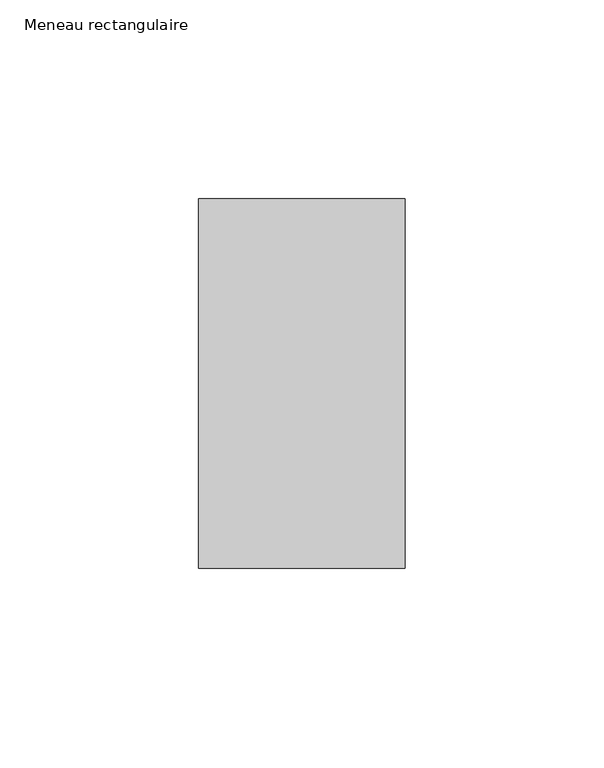
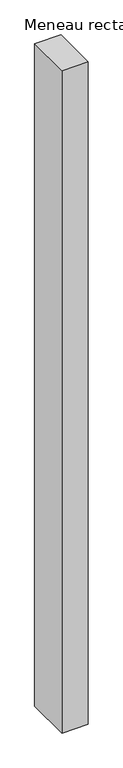
"""IFC4 building model written with IfcOpenShell, lengths in millimetres: member geometry, Meneau rectangulaire."""

from ifc_helpers import new_model, si_unit, frame, origin, place, context, project, spatial, polyline, outline, extrude, source, transform, mapped, element, save


def meneau_rectangulaire_40035cc2(model_context):
    return source(origin(), model_context, "Body", "SweptSolid", [
        extrude(outline(polyline([(-52.0, 46.5), (0.0, 46.5), (0.0, -46.5), (-52.0, -46.5), (-52.0, 46.5)])), frame((0.0, 0.0, -1388.256074), z_axis=(0.0, 0.0, 1.0), x_axis=(1.0, 0.0, 0.0)), (0.0, 0.0, 1.0), 1388.256074),
    ])


if __name__ == "__main__":
    model = new_model("IFC4")
    model_context = context("Model", 3, world=origin())
    ifc_project = project(units=[si_unit("LENGTHUNIT", "METRE", prefix="MILLI")], contexts=[model_context])
    site = spatial("IfcSite", under=ifc_project)
    building = spatial("IfcBuilding", under=site)
    placement = place(None, origin())
    meneau_rectangulaire_shape = meneau_rectangulaire_40035cc2(model_context)
    element("IfcMember", 1, ObjectType="Meneau rectangulaire", at=placement, inside=building, context=model_context, shape_type="MappedRepresentation", body=[
        mapped(meneau_rectangulaire_shape, transform((0.0, 0.0, 0.0), x_axis=(1.0, 0.0, 0.0), y_axis=(0.0, 1.0, 0.0), z_axis=(0.0, 0.0, 1.0))),
    ])
    save(model, "model.ifc")
